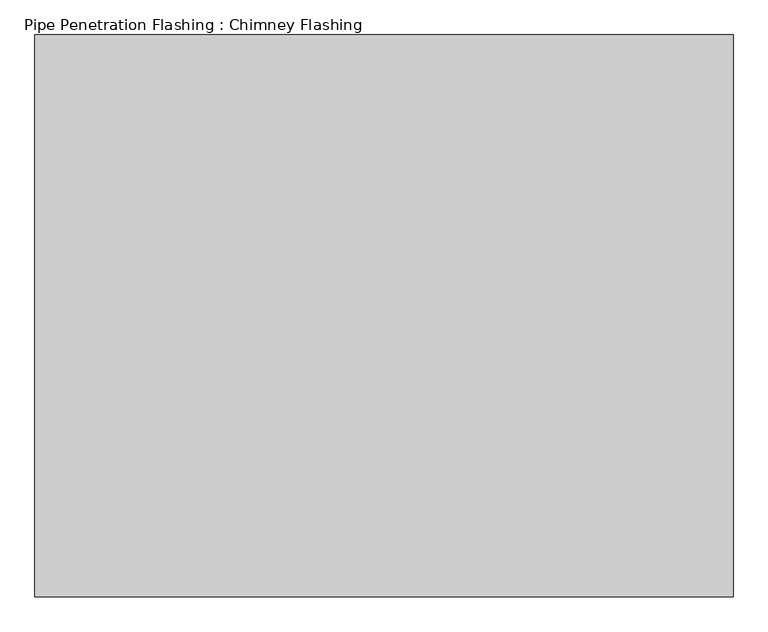
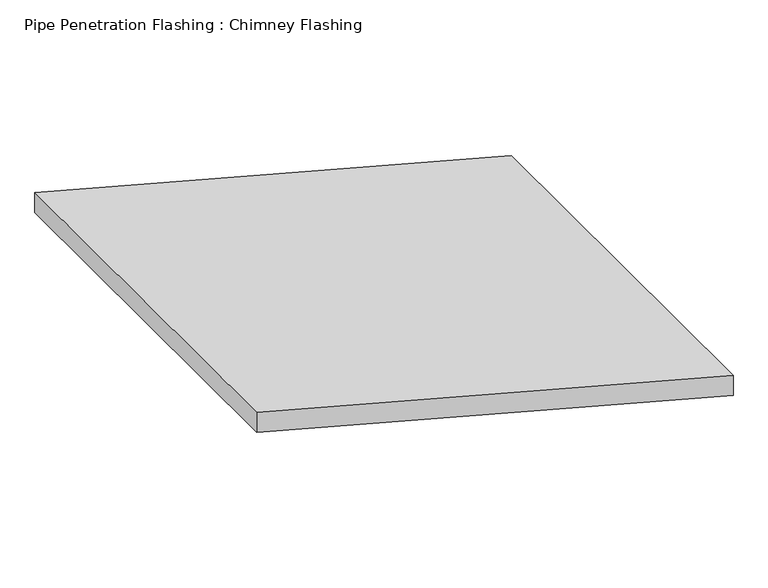
"""IFC4 building model written with IfcOpenShell, lengths in millimetres: proxy geometry, Pipe Penetration Flashing : Chimney Flashing."""

from ifc_helpers import new_model, si_unit, frame, origin, place, context, project, spatial, polyline, outline, extrude, source, transform, mapped, element, save


def pipe_penetration_flashing_chimney_flashing_f5489d93(model_context):
    return source(origin(), model_context, "Body", "SweptSolid", [
        extrude(outline(polyline([(5918.6213183, 4682.178133), (5965.2087464, 4682.178133), (6247.9654108, 3626.9158954), (6201.3779827, 3626.9158954), (5918.6213183, 4682.178133)])), frame((0.0, 3421.3837407, 0.0), z_axis=(0.0, 1.0, 0.0), x_axis=(0.0, 0.0, 1.0)), (0.0, 0.0, 1.0), 850.0),
    ])


if __name__ == "__main__":
    model = new_model("IFC4")
    model_context = context("Model", 3, world=origin())
    ifc_project = project(units=[si_unit("LENGTHUNIT", "METRE", prefix="MILLI")], contexts=[model_context])
    site = spatial("IfcSite", under=ifc_project)
    building = spatial("IfcBuilding", under=site)
    placement = place(None, origin())
    pipe_penetration_flashing_chimney_flashing_shape = pipe_penetration_flashing_chimney_flashing_f5489d93(model_context)
    element("IfcBuildingElementProxy", 1, Name="Pipe Penetration Flashing : Chimney Flashing", ObjectType="Pipe Penetration Flashing : Chimney Flashing", at=placement, inside=building, context=model_context, shape_type="MappedRepresentation", body=[
        mapped(pipe_penetration_flashing_chimney_flashing_shape, transform((0.0, 0.0, 0.0), x_axis=(1.0, 0.0, 0.0), y_axis=(0.0, 1.0, 0.0), z_axis=(0.0, 0.0, 1.0))),
    ])
    save(model, "model.ifc")
